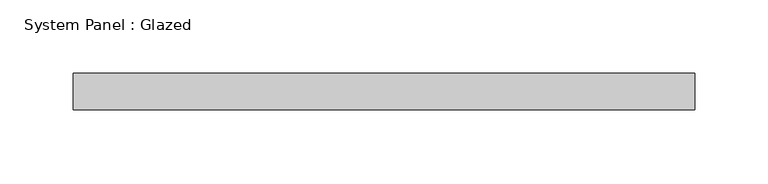
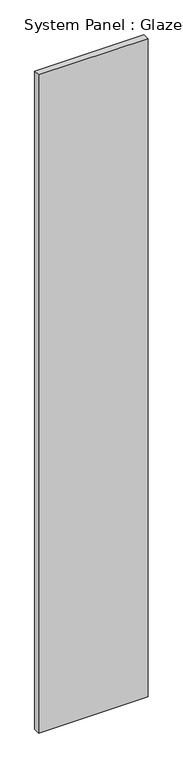
"""IFC4 building model written with IfcOpenShell, lengths in millimetres: plate geometry, System Panel : Glazed."""

from ifc_helpers import new_model, si_unit, origin, origin_with_axes, place, context, project, spatial, polyline, outline, extrude, source, transform, mapped, element, save


def system_panel_glazed_c8600d8e(model_context):
    return source(origin(), model_context, "Body", "SweptSolid", [
        extrude(outline(polyline([(212.5, -37.5), (-212.5, -37.5), (-212.5, -12.5), (212.5, -12.5), (212.5, -37.5)])), origin_with_axes(), (0.0, 0.0, 1.0), 2700.0),
    ])


if __name__ == "__main__":
    model = new_model("IFC4")
    model_context = context("Model", 3, world=origin())
    ifc_project = project(units=[si_unit("LENGTHUNIT", "METRE", prefix="MILLI")], contexts=[model_context])
    site = spatial("IfcSite", under=ifc_project)
    building = spatial("IfcBuilding", under=site)
    placement = place(None, origin())
    system_panel_glazed_shape = system_panel_glazed_c8600d8e(model_context)
    element("IfcPlate", 1, ObjectType="System Panel : Glazed", at=placement, inside=building, context=model_context, shape_type="MappedRepresentation", body=[
        mapped(system_panel_glazed_shape, transform((0.0, 0.0, 0.0), x_axis=(1.0, 0.0, 0.0), y_axis=(0.0, 1.0, 0.0), z_axis=(0.0, 0.0, 1.0))),
    ])
    save(model, "model.ifc")
